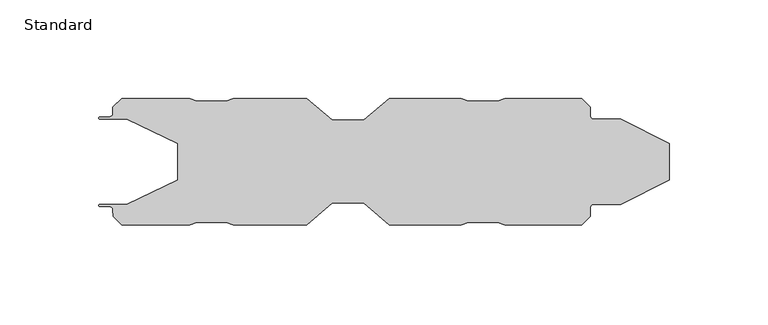
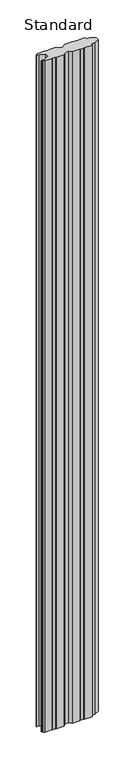
"""IFC4 building model written with IfcOpenShell, lengths in millimetres: plate geometry, Standard."""

from ifc_helpers import new_model, si_unit, point, frame_2d, origin, origin_with_axes, place, context, project, spatial, polyline, circle_curve, trimmed, segment, composite_curve, outline, extrude, source, transform, mapped, element, save


def standard_97f98103(model_context):
    return source(origin(), model_context, "Body", "SweptSolid", [
        extrude(outline(composite_curve([segment(polyline([(-84.3545248, 9.3009734), (-110.1646473, 21.6000018), (-123.8499882, 21.6000018)]), True, "CONTINUOUS"), segment(trimmed(circle_curve(frame_2d((-123.8499882, 22.1750138)), 0.575012), [point((-123.8499882, 21.6000018))], [point((-123.8499882, 22.7500257))], False, "CARTESIAN"), True, "CONTINUOUS"), segment(polyline([(-123.8499882, 22.7500257), (-118.899337, 22.7500257)]), True, "CONTINUOUS"), segment(trimmed(circle_curve(frame_2d((-118.899337, 24.4000258)), 1.6500001), [point((-118.899337, 22.7500257))], [point((-117.2493369, 24.4000258))], True, "CARTESIAN"), True, "CONTINUOUS"), segment(polyline([(-117.2493369, 24.4000258), (-117.2493369, 27.5902281), (-112.8949477, 32.0000186), (-78.2440979, 32.0000186), (-74.7069771, 30.8000259), (-59.7494566, 30.8000259), (-56.2432186, 32.0), (-19.2000072, 32.0), (-6.2039287, 21.0000019), (9.738056, 21.0000019), (22.8077495, 32.0), (59.2572973, 32.0), (62.7506092, 30.8000731), (77.735296, 30.8000731), (81.2351201, 32.0), (120.2620085, 32.0), (124.4933083, 27.7503939), (124.4933083, 23.2500019)]), True, "CONTINUOUS"), segment(trimmed(circle_curve(frame_2d((126.1433084, 23.2500019)), 1.6500001), [point((124.4933083, 23.2500019))], [point((126.1433084, 21.6000018))], True, "CARTESIAN"), True, "CONTINUOUS"), segment(polyline([(126.1433084, 21.6000018), (139.8353527, 21.6000018), (164.4887717, 9.3009734), (164.4887717, -9.3009734), (139.8353527, -21.6000018), (126.1433084, -21.6000018)]), True, "CONTINUOUS"), segment(trimmed(circle_curve(frame_2d((126.1433084, -23.2500019)), 1.6500001), [point((126.1433084, -21.6000018))], [point((124.4933083, -23.2500019))], True, "CARTESIAN"), True, "CONTINUOUS"), segment(polyline([(124.4933083, -23.2500019), (124.4933083, -27.7503939), (120.2620085, -32.0), (81.2351201, -32.0), (77.735296, -30.8000731), (62.7506092, -30.8000731), (59.2572973, -32.0), (22.8077495, -32.0), (9.738056, -21.0000019), (-6.2039287, -21.0000019), (-19.2000072, -32.0), (-56.2432186, -32.0), (-59.7494566, -30.8000259), (-74.7069771, -30.8000259), (-78.2440979, -32.0000186), (-112.8949477, -32.0000186), (-117.071016, -27.8239508), (-117.2493369, -24.4000259)]), True, "CONTINUOUS"), segment(trimmed(circle_curve(frame_2d((-118.9899919, -24.4906807)), 1.7430141), [point((-117.2493369, -24.4000259))], [point((-118.899337, -22.7500257))], True, "CARTESIAN"), True, "CONTINUOUS"), segment(polyline([(-118.899337, -22.7500257), (-123.8499882, -22.7500257)]), True, "CONTINUOUS"), segment(trimmed(circle_curve(frame_2d((-123.8499882, -22.1750138)), 0.575012), [point((-123.8499882, -22.7500257))], [point((-123.8499882, -21.6000018))], False, "CARTESIAN"), True, "CONTINUOUS"), segment(polyline([(-123.8499882, -21.6000018), (-110.1646473, -21.6000018), (-84.3545248, -9.3009734), (-84.3545248, 9.3009734)]), True, "CONTINUOUS")], self_intersect=False)), origin_with_axes(), (0.0, 0.0, 1.0), 3497.7),
    ])


if __name__ == "__main__":
    model = new_model("IFC4")
    model_context = context("Model", 3, world=origin())
    ifc_project = project(units=[si_unit("LENGTHUNIT", "METRE", prefix="MILLI")], contexts=[model_context])
    site = spatial("IfcSite", under=ifc_project)
    building = spatial("IfcBuilding", under=site)
    placement = place(None, origin())
    standard_shape = standard_97f98103(model_context)
    element("IfcPlate", 1, ObjectType="Standard", at=placement, inside=building, context=model_context, shape_type="MappedRepresentation", body=[
        mapped(standard_shape, transform((0.0, 0.0, 0.0), x_axis=(1.0, 0.0, 0.0), y_axis=(0.0, 1.0, 0.0), z_axis=(0.0, 0.0, 1.0))),
    ])
    save(model, "model.ifc")
